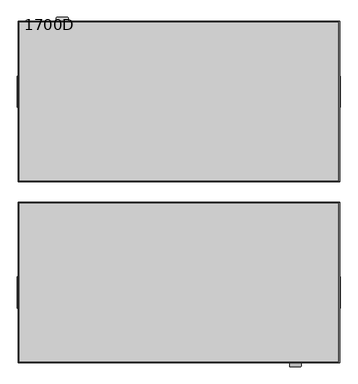
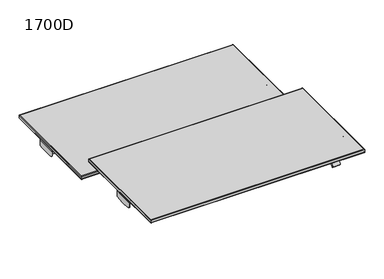
"""IFC4 building model written with IfcOpenShell, lengths in millimetres: furniture geometry, 1700D."""

from ifc_helpers import new_model, si_unit, frame, origin, place, context, project, spatial, polyline, circle_curve, ellipse_curve, outline, extrude, faceted_brep, source, transform, mapped, element, save
from ifc_brep_helpers import plane_surface, cylinder_surface, revolved_surface, advanced_brep


def furniture_1700d_61fe808a(model_context):
    return source(origin(), model_context, "Body", "SolidModel", [
        advanced_brep(
        [(800.0009304, 50.0, 762.0613719), (800.0009304, 850.0, 762.0613719), (796.9557784, 846.954848, 764.998648), (796.9557784, 53.045152, 764.998648), (800.0009304, 50.0, 742.9891625), (800.0009304, 850.0, 742.9891625), (796.9557784, 53.045152, 740.0005151), (796.9557784, 846.954848, 740.0005151), (-800.0009304, 850.0, 762.0613719), (-796.9557784, 846.954848, 764.998648), (-800.0009304, 850.0, 742.9891625), (-796.9557784, 846.954848, 740.0005151), (-800.0009304, 50.0, 762.0613719), (-796.9557784, 53.045152, 764.998648), (-800.0009304, 50.0, 742.9891625), (-796.9557784, 53.045152, 740.0005151)],
        [
            (0, 1),
            (1, 2, ellipse_curve(frame((797.0617436, 847.0608132, 762.0613719), z_axis=(0.7071067811865475, -0.7071067811865475, 0.0), x_axis=(-0.7071067811865474, -0.7071067811865476, 0.0)), 4.1566379, 2.9391868)),
            (2, 3),
            (3, 0, ellipse_curve(frame((797.0617436, 52.9391868, 762.0613719), z_axis=(0.7071067811865475, 0.7071067811865475, 0.0), x_axis=(0.7071067811865474, -0.7071067811865476, 0.0)), 4.1566379, 2.9391868)),
            (4, 5),
            (5, 1),
            (0, 4),
            (6, 7),
            (7, 5, ellipse_curve(frame((797.0117587, 847.0108283, 742.9891625), z_axis=(0.7071067811865475, -0.7071067811865475, 0.0), x_axis=(-0.7071067811865474, -0.7071067811865476, 0.0)), 4.2273271, 2.9891717)),
            (4, 6, ellipse_curve(frame((797.0117587, 52.9891717, 742.9891625), z_axis=(0.7071067811865475, 0.7071067811865475, 0.0), x_axis=(0.7071067811865474, -0.7071067811865476, 0.0)), 4.2273271, 2.9891717)),
            (2, 7),
            (6, 3),
            (1, 8),
            (8, 9, ellipse_curve(frame((-797.0617436, 847.0608132, 762.0613719), z_axis=(0.7071067811865475, 0.7071067811865475, 0.0), x_axis=(0.7071067811865476, -0.7071067811865474, 0.0)), 4.1566379, 2.9391868)),
            (9, 2),
            (5, 10),
            (10, 8),
            (7, 11),
            (11, 10, ellipse_curve(frame((-797.0117587, 847.0108283, 742.9891625), z_axis=(0.7071067811865475, 0.7071067811865475, 0.0), x_axis=(0.7071067811865476, -0.7071067811865474, 0.0)), 4.2273271, 2.9891717)),
            (9, 11),
            (8, 12),
            (12, 13, ellipse_curve(frame((-797.0617436, 52.9391868, 762.0613719), z_axis=(-0.7071067811865475, 0.7071067811865475, 0.0), x_axis=(0.7071067811865474, 0.7071067811865476, 0.0)), 4.1566379, 2.9391868)),
            (13, 9),
            (10, 14),
            (14, 12),
            (11, 15),
            (15, 14, ellipse_curve(frame((-797.0117587, 52.9891717, 742.9891625), z_axis=(-0.7071067811865475, 0.7071067811865475, 0.0), x_axis=(0.7071067811865474, 0.7071067811865476, 0.0)), 4.2273271, 2.9891717)),
            (13, 15),
            (12, 0),
            (3, 13),
            (14, 4),
            (15, 6),
        ],
        [
            cylinder_surface(frame((797.0617436, 53.045152, 762.0613719), z_axis=(0.0, -1.0, 0.0), x_axis=(1.0, 0.0, 0.0)), 2.9391868),
            plane_surface(frame((800.0009304, 50.0, 762.0613719), z_axis=(1.0, 0.0, 0.0), x_axis=(0.0, 1.0, 0.0))),
            cylinder_surface(frame((797.0117587, 53.045152, 742.9891625), z_axis=(0.0, -1.0, 0.0), x_axis=(1.0, 0.0, 0.0)), 2.9891717),
            plane_surface(frame((796.9557784, 53.045152, 740.0005151), z_axis=(-1.0, 0.0, 0.0), x_axis=(0.0, 1.0, 0.0))),
            cylinder_surface(frame((796.9557784, 847.0608132, 762.0613719), z_axis=(1.0, 0.0, 0.0), x_axis=(0.0, 1.0, 0.0)), 2.9391868),
            plane_surface(frame((800.0009304, 850.0, 762.0613719), z_axis=(0.0, 1.0, 0.0), x_axis=(-1.0, 0.0, 0.0))),
            cylinder_surface(frame((796.9557784, 847.0108283, 742.9891625), z_axis=(1.0, 0.0, 0.0), x_axis=(0.0, 1.0, 0.0)), 2.9891717),
            plane_surface(frame((796.9557784, 846.954848, 740.0005151), z_axis=(0.0, -1.0, 0.0), x_axis=(-1.0, 0.0, 0.0))),
            cylinder_surface(frame((-797.0617436, 846.954848, 762.0613719), z_axis=(0.0, 1.0, 0.0), x_axis=(-1.0, 0.0, 0.0)), 2.9391868),
            plane_surface(frame((-800.0009304, 850.0, 762.0613719), z_axis=(-1.0, 0.0, 0.0), x_axis=(0.0, -1.0, 0.0))),
            cylinder_surface(frame((-797.0117587, 846.954848, 742.9891625), z_axis=(0.0, 1.0, 0.0), x_axis=(-1.0, 0.0, 0.0)), 2.9891717),
            plane_surface(frame((-796.9557784, 846.954848, 740.0005151), z_axis=(1.0, 0.0, 0.0), x_axis=(0.0, -1.0, 0.0))),
            cylinder_surface(frame((-796.9557784, 52.9391868, 762.0613719), z_axis=(-1.0, 0.0, 0.0), x_axis=(0.0, -1.0, 0.0)), 2.9391868),
            plane_surface(frame((-800.0009304, 50.0, 762.0613719), z_axis=(0.0, -1.0, 0.0), x_axis=(1.0, 0.0, 0.0))),
            cylinder_surface(frame((-796.9557784, 52.9891717, 742.9891625), z_axis=(-1.0, 0.0, 0.0), x_axis=(0.0, -1.0, 0.0)), 2.9891717),
            plane_surface(frame((-796.9557784, 53.045152, 740.0005151), z_axis=(0.0, 1.0, 0.0), x_axis=(1.0, 0.0, 0.0))),
        ],
        [
            (0, [[1, 2, 3, 4]]),
            (1, [[5, 6, -1, 7]]),
            (2, [[8, 9, -5, 10]]),
            (3, [[-3, 11, -8, 12]]),
            (4, [[13, 14, 15, -2]]),
            (5, [[16, 17, -13, -6]]),
            (6, [[18, 19, -16, -9]]),
            (7, [[-15, 20, -18, -11]]),
            (8, [[21, 22, 23, -14]]),
            (9, [[24, 25, -21, -17]]),
            (10, [[26, 27, -24, -19]]),
            (11, [[-23, 28, -26, -20]]),
            (12, [[29, -4, 30, -22]]),
            (13, [[31, -7, -29, -25]]),
            (14, [[32, -10, -31, -27]]),
            (15, [[-30, -12, -32, -28]]),
        ],
    ),
        extrude(outline(polyline([(-796.9557784, 53.045152), (-796.9557784, 846.954848), (796.9557784, 846.954848), (796.9557784, 53.045152), (-796.9557784, 53.045152)])), frame((0.0, 0.0, 740.0), z_axis=(0.0, 0.0, 1.0), x_axis=(1.0, 0.0, 0.0)), (0.0, 0.0, 1.0), 25.0),
        advanced_brep(
        [(800.0009304, -50.0, 962.0613719), (796.9557784, -53.045152, 964.998648), (796.9557784, -846.954848, 964.998648), (800.0009304, -850.0, 962.0613719), (800.0009304, -50.0, 942.9891625), (800.0009304, -850.0, 942.9891625), (796.9557784, -53.045152, 940.0005151), (796.9557784, -846.954848, 940.0005151), (-796.9557784, -846.954848, 964.998648), (-800.0009304, -850.0, 962.0613719), (-800.0009304, -850.0, 942.9891625), (-796.9557784, -846.954848, 940.0005151), (-796.9557784, -53.045152, 964.998648), (-800.0009304, -50.0, 962.0613719), (-800.0009304, -50.0, 942.9891625), (-796.9557784, -53.045152, 940.0005151)],
        [
            (0, 1, ellipse_curve(frame((797.0617436, -52.9391868, 962.0613719), z_axis=(0.7071067811865475, -0.7071067811865475, 0.0), x_axis=(0.7071067811865474, 0.7071067811865476, 0.0)), 4.1566379, 2.9391868)),
            (1, 2),
            (2, 3, ellipse_curve(frame((797.0617436, -847.0608132, 962.0613719), z_axis=(0.7071067811865475, 0.7071067811865475, 0.0), x_axis=(-0.7071067811865474, 0.7071067811865476, 0.0)), 4.1566379, 2.9391868)),
            (3, 0),
            (4, 0),
            (3, 5),
            (5, 4),
            (6, 4, ellipse_curve(frame((797.0117587, -52.9891717, 942.9891625), z_axis=(0.7071067811865475, -0.7071067811865475, 0.0), x_axis=(0.7071067811865474, 0.7071067811865476, 0.0)), 4.2273271, 2.9891717)),
            (5, 7, ellipse_curve(frame((797.0117587, -847.0108283, 942.9891625), z_axis=(0.7071067811865475, 0.7071067811865475, 0.0), x_axis=(-0.7071067811865474, 0.7071067811865476, 0.0)), 4.2273271, 2.9891717)),
            (7, 6),
            (1, 6),
            (7, 2),
            (2, 8),
            (8, 9, ellipse_curve(frame((-797.0617436, -847.0608132, 962.0613719), z_axis=(0.7071067811865475, -0.7071067811865475, 0.0), x_axis=(0.7071067811865476, 0.7071067811865474, 0.0)), 4.1566379, 2.9391868)),
            (9, 3),
            (9, 10),
            (10, 5),
            (10, 11, ellipse_curve(frame((-797.0117587, -847.0108283, 942.9891625), z_axis=(0.7071067811865475, -0.7071067811865475, 0.0), x_axis=(0.7071067811865476, 0.7071067811865474, 0.0)), 4.2273271, 2.9891717)),
            (11, 7),
            (11, 8),
            (8, 12),
            (12, 13, ellipse_curve(frame((-797.0617436, -52.9391868, 962.0613719), z_axis=(-0.7071067811865475, -0.7071067811865475, 0.0), x_axis=(0.7071067811865474, -0.7071067811865476, 0.0)), 4.1566379, 2.9391868)),
            (13, 9),
            (13, 14),
            (14, 10),
            (14, 15, ellipse_curve(frame((-797.0117587, -52.9891717, 942.9891625), z_axis=(-0.7071067811865475, -0.7071067811865475, 0.0), x_axis=(0.7071067811865474, -0.7071067811865476, 0.0)), 4.2273271, 2.9891717)),
            (15, 11),
            (15, 12),
            (12, 1),
            (0, 13),
            (4, 14),
            (6, 15),
        ],
        [
            cylinder_surface(frame((797.0617436, -53.045152, 962.0613719), z_axis=(0.0, 1.0, 0.0), x_axis=(1.0, 0.0, 0.0)), 2.9391868),
            plane_surface(frame((800.0009304, -50.0, 962.0613719), z_axis=(1.0, 0.0, 0.0), x_axis=(0.0, -1.0, 0.0))),
            cylinder_surface(frame((797.0117587, -53.045152, 942.9891625), z_axis=(0.0, 1.0, 0.0), x_axis=(1.0, 0.0, 0.0)), 2.9891717),
            plane_surface(frame((796.9557784, -53.045152, 940.0005151), z_axis=(-1.0, 0.0, 0.0), x_axis=(0.0, -1.0, 0.0))),
            cylinder_surface(frame((796.9557784, -847.0608132, 962.0613719), z_axis=(1.0, 0.0, 0.0), x_axis=(0.0, -1.0, 0.0)), 2.9391868),
            plane_surface(frame((800.0009304, -850.0, 962.0613719), z_axis=(0.0, -1.0, 0.0), x_axis=(-1.0, 0.0, 0.0))),
            cylinder_surface(frame((796.9557784, -847.0108283, 942.9891625), z_axis=(1.0, 0.0, 0.0), x_axis=(0.0, -1.0, 0.0)), 2.9891717),
            plane_surface(frame((796.9557784, -846.954848, 940.0005151), z_axis=(0.0, 1.0, 0.0), x_axis=(-1.0, 0.0, 0.0))),
            cylinder_surface(frame((-797.0617436, -846.954848, 962.0613719), z_axis=(0.0, -1.0, 0.0), x_axis=(-1.0, 0.0, 0.0)), 2.9391868),
            plane_surface(frame((-800.0009304, -850.0, 962.0613719), z_axis=(-1.0, 0.0, 0.0), x_axis=(0.0, 1.0, 0.0))),
            cylinder_surface(frame((-797.0117587, -846.954848, 942.9891625), z_axis=(0.0, -1.0, 0.0), x_axis=(-1.0, 0.0, 0.0)), 2.9891717),
            plane_surface(frame((-796.9557784, -846.954848, 940.0005151), z_axis=(1.0, 0.0, 0.0), x_axis=(0.0, 1.0, 0.0))),
            cylinder_surface(frame((-796.9557784, -52.9391868, 962.0613719), z_axis=(-1.0, 0.0, 0.0), x_axis=(0.0, 1.0, 0.0)), 2.9391868),
            plane_surface(frame((-800.0009304, -50.0, 962.0613719), z_axis=(0.0, 1.0, 0.0), x_axis=(1.0, 0.0, 0.0))),
            cylinder_surface(frame((-796.9557784, -52.9891717, 942.9891625), z_axis=(-1.0, 0.0, 0.0), x_axis=(0.0, 1.0, 0.0)), 2.9891717),
            plane_surface(frame((-796.9557784, -53.045152, 940.0005151), z_axis=(0.0, -1.0, 0.0), x_axis=(1.0, 0.0, 0.0))),
        ],
        [
            (0, [[1, 2, 3, 4]]),
            (1, [[5, -4, 6, 7]]),
            (2, [[8, -7, 9, 10]]),
            (3, [[11, -10, 12, -2]]),
            (4, [[-3, 13, 14, 15]]),
            (5, [[-6, -15, 16, 17]]),
            (6, [[-9, -17, 18, 19]]),
            (7, [[-12, -19, 20, -13]]),
            (8, [[-14, 21, 22, 23]]),
            (9, [[-16, -23, 24, 25]]),
            (10, [[-18, -25, 26, 27]]),
            (11, [[-20, -27, 28, -21]]),
            (12, [[-22, 29, -1, 30]]),
            (13, [[-24, -30, -5, 31]]),
            (14, [[-26, -31, -8, 32]]),
            (15, [[-28, -32, -11, -29]]),
        ],
    ),
        extrude(outline(polyline([(-796.9557784, -53.045152), (796.9557784, -53.045152), (796.9557784, -846.954848), (-796.9557784, -846.954848), (-796.9557784, -53.045152)])), frame((0.0, 0.0, 940.0), z_axis=(0.0, 0.0, 1.0), x_axis=(1.0, 0.0, 0.0)), (0.0, 0.0, 1.0), 25.0),
        advanced_brep(
        [(-800.0, 421.1376827, 735.0178669), (-797.9939209, 421.1376827, 737.0095331), (-785.6236012, 421.1376827, 737.0095331), (-785.6236012, 421.1376827, 740.0), (-797.8166554, 421.1376827, 740.0), (-802.810149, 421.1376827, 735.0178671), (-802.810149, 421.1376827, 700.6209994), (-800.0, 421.1376827, 700.6209994), (-802.810149, 576.1274471, 735.0178671), (-797.8166554, 576.1274471, 740.0), (-785.6236012, 576.1274471, 740.0), (-785.6236012, 576.1274471, 737.0095331), (-797.9939209, 576.1274471, 737.0095331), (-800.0, 576.1274471, 735.0178669), (-800.0, 576.1274471, 698.9305168), (-802.810149, 576.1274471, 698.9305168), (-800.0, 433.696695, 692.1451916), (-800.0, 443.8429757, 689.9777384), (-800.0, 553.8429757, 689.9777384), (-800.0, 564.8480363, 692.1451916), (-802.810149, 564.8480363, 692.1451916), (-802.810149, 553.8429757, 689.9777384), (-802.810149, 443.8429757, 689.9777384), (-802.810149, 433.696695, 692.1451916)],
        [
            (0, 1, circle_curve(frame((-798.008282, 421.1376827, 735.0178669), z_axis=(0.0, 1.0, 0.0), x_axis=(1.0, 0.0, 0.0)), 1.991718)),
            (1, 2),
            (2, 3),
            (3, 4),
            (4, 5, circle_curve(frame((-797.8280032, 421.1376827, 735.0178671), z_axis=(0.0, -1.0, 0.0), x_axis=(1.0, 0.0, 0.0)), 4.9821458)),
            (5, 6),
            (6, 7),
            (7, 0),
            (8, 9, circle_curve(frame((-797.8280032, 576.1274471, 735.0178671), z_axis=(0.0, 1.0, 0.0), x_axis=(1.0, 0.0, 0.0)), 4.9821458)),
            (9, 10),
            (10, 11),
            (11, 12),
            (12, 13, circle_curve(frame((-798.008282, 576.1274471, 735.0178669), z_axis=(0.0, -1.0, 0.0), x_axis=(1.0, 0.0, 0.0)), 1.991718)),
            (13, 14),
            (14, 15),
            (15, 8),
            (13, 0),
            (7, 16, circle_curve(frame((-800.0, 437.9877869, 712.0460593), z_axis=(1.0, 0.0, 0.0), x_axis=(0.0, 1.0, 0.0)), 20.3582417)),
            (16, 17, circle_curve(frame((-800.0, 470.7205924, 840.6293303), z_axis=(1.0, 0.0, 0.0), x_axis=(0.0, 1.0, 0.0)), 153.0304167)),
            (17, 18, circle_curve(frame((-800.0, 498.8429757, 998.2579565), z_axis=(1.0, 0.0, 0.0), x_axis=(0.0, 1.0, 0.0)), 313.1480367)),
            (18, 19, circle_curve(frame((-800.0, 498.8429757, 998.2579565), z_axis=(1.0, 0.0, 0.0), x_axis=(0.0, 1.0, 0.0)), 313.1480367)),
            (19, 14, circle_curve(frame((-800.0, 560.5569445, 712.0460593), z_axis=(1.0, 0.0, 0.0), x_axis=(0.0, 1.0, 0.0)), 20.3582417)),
            (12, 1),
            (11, 2),
            (10, 3),
            (9, 4),
            (8, 5),
            (15, 20, circle_curve(frame((-802.810149, 560.5569445, 712.0460593), z_axis=(-1.0, 0.0, 0.0), x_axis=(0.0, 1.0, 0.0)), 20.3582417)),
            (20, 21, circle_curve(frame((-802.810149, 498.8429757, 998.2579565), z_axis=(-1.0, 0.0, 0.0), x_axis=(0.0, 1.0, 0.0)), 313.1480367)),
            (21, 22, circle_curve(frame((-802.810149, 498.8429757, 998.2579565), z_axis=(-1.0, 0.0, 0.0), x_axis=(0.0, 1.0, 0.0)), 313.1480367)),
            (22, 23, circle_curve(frame((-802.810149, 470.7205924, 840.6293303), z_axis=(-1.0, 0.0, 0.0), x_axis=(0.0, 1.0, 0.0)), 153.0304167)),
            (23, 6, circle_curve(frame((-802.810149, 437.9877869, 712.0460593), z_axis=(-1.0, 0.0, 0.0), x_axis=(0.0, 1.0, 0.0)), 20.3582417)),
            (22, 17),
            (16, 23),
            (19, 20),
            (18, 21),
        ],
        [
            plane_surface(frame((-802.810149, 421.1376827, 685.0637213), z_axis=(0.0, -1.0, 0.0), x_axis=(1.0, 0.0, 0.0))),
            plane_surface(frame((-802.810149, 576.1274471, 685.0637213), z_axis=(0.0, 1.0, 0.0), x_axis=(-1.0, 0.0, 0.0))),
            plane_surface(frame((-800.0, 421.1376827, 685.0637213), z_axis=(1.0, 0.0, 0.0), x_axis=(0.0, 1.0, 0.0))),
            revolved_surface(polyline([(-796.016564, 576.1274471, 735.0178669), (-796.016564, 421.1376827, 735.0178669)]), (-798.008282, 576.1274471, 735.0178669), (0.0, 1.0, 0.0)),
            plane_surface(frame((-797.9939209, 421.1376827, 737.0095331), z_axis=(0.0, 0.0, -1.0), x_axis=(0.0, 1.0, 0.0))),
            plane_surface(frame((-785.6236012, 421.1376827, 737.0095331), z_axis=(1.0, 0.0, 0.0), x_axis=(0.0, 1.0, 0.0))),
            plane_surface(frame((-785.6236012, 421.1376827, 740.0), z_axis=(0.0, 0.0, 1.0), x_axis=(0.0, 1.0, 0.0))),
            cylinder_surface(frame((-797.8280032, 576.1274471, 735.0178671), z_axis=(0.0, -1.0, 0.0), x_axis=(1.0, 0.0, 0.0)), 4.9821458),
            plane_surface(frame((-802.810149, 421.1376827, 735.0178671), z_axis=(-1.0, 0.0, 0.0), x_axis=(0.0, 1.0, 0.0))),
            cylinder_surface(frame((-842.810149, 470.7205924, 840.6293303), z_axis=(-1.0, 0.0, 0.0), x_axis=(0.0, 1.0, 0.0)), 153.0304167),
            cylinder_surface(frame((-842.810149, 437.9877869, 712.0460593), z_axis=(-1.0, 0.0, 0.0), x_axis=(0.0, 1.0, 0.0)), 20.3582417),
            cylinder_surface(frame((-842.810149, 560.5569445, 712.0460593), z_axis=(-1.0, 0.0, 0.0), x_axis=(0.0, 1.0, 0.0)), 20.3582417),
            cylinder_surface(frame((-842.810149, 498.8429757, 998.2579565), z_axis=(-1.0, 0.0, 0.0), x_axis=(0.0, 1.0, 0.0)), 313.1480367),
        ],
        [
            (0, [[1, 2, 3, 4, 5, 6, 7, 8]]),
            (1, [[9, 10, 11, 12, 13, 14, 15, 16]]),
            (2, [[17, -8, 18, 19, 20, 21, 22, -14]]),
            (3, [[-1, -17, -13, 23]]),
            (4, [[-2, -23, -12, 24]]),
            (5, [[-3, -24, -11, 25]]),
            (6, [[-4, -25, -10, 26]]),
            (7, [[-5, -26, -9, 27]]),
            (8, [[-27, -16, 28, 29, 30, 31, 32, -6]]),
            (9, [[33, -19, 34, -31]]),
            (10, [[-34, -18, -7, -32]]),
            (11, [[35, -28, -15, -22]]),
            (12, [[-35, -21, 36, -29]]),
            (12, [[-33, -30, -36, -20]]),
        ],
    ),
        advanced_brep(
        [(802.810149, 421.1376827, 735.0178671), (797.8166554, 421.1376827, 740.0), (785.6236012, 421.1376827, 740.0), (785.6236012, 421.1376827, 737.0095335), (797.9939209, 421.1376827, 737.0095335), (800.0, 421.1376827, 735.0178673), (800.0, 421.1376827, 700.6209994), (802.810149, 421.1376827, 700.6209994), (800.0, 576.1274471, 735.0178673), (797.9939209, 576.1274471, 737.0095335), (785.6236012, 576.1274471, 737.0095335), (785.6236012, 576.1274471, 740.0), (797.8166554, 576.1274471, 740.0), (802.810149, 576.1274471, 735.0178671), (802.810149, 576.1274471, 698.9305168), (800.0, 576.1274471, 698.9305168), (802.810149, 433.696695, 692.1451916), (802.810149, 443.8429757, 689.9777384), (802.810149, 553.8429757, 689.9777384), (802.810149, 564.8480363, 692.1451916), (800.0, 564.8480363, 692.1451916), (800.0, 553.8429757, 689.9777384), (800.0, 443.8429757, 689.9777384), (800.0, 433.696695, 692.1451916)],
        [
            (0, 1, circle_curve(frame((797.8280032, 421.1376827, 735.0178671), z_axis=(0.0, -1.0, 0.0), x_axis=(1.0, 0.0, 0.0)), 4.9821458)),
            (1, 2),
            (2, 3),
            (3, 4),
            (4, 5, circle_curve(frame((798.008282, 421.1376827, 735.0178673), z_axis=(0.0, 1.0, 0.0), x_axis=(1.0, 0.0, 0.0)), 1.991718)),
            (5, 6),
            (6, 7),
            (7, 0),
            (8, 9, circle_curve(frame((798.008282, 576.1274471, 735.0178673), z_axis=(0.0, -1.0, 0.0), x_axis=(1.0, 0.0, 0.0)), 1.991718)),
            (9, 10),
            (10, 11),
            (11, 12),
            (12, 13, circle_curve(frame((797.8280032, 576.1274471, 735.0178671), z_axis=(0.0, 1.0, 0.0), x_axis=(1.0, 0.0, 0.0)), 4.9821458)),
            (13, 14),
            (14, 15),
            (15, 8),
            (13, 0),
            (7, 16, circle_curve(frame((802.810149, 437.9877869, 712.0460593), z_axis=(1.0, 0.0, 0.0), x_axis=(0.0, 1.0, 0.0)), 20.3582417)),
            (16, 17, circle_curve(frame((802.810149, 470.7205924, 840.6293303), z_axis=(1.0, 0.0, 0.0), x_axis=(0.0, 1.0, 0.0)), 153.0304167)),
            (17, 18, circle_curve(frame((802.810149, 498.8429757, 998.2579565), z_axis=(1.0, 0.0, 0.0), x_axis=(0.0, 1.0, 0.0)), 313.1480367)),
            (18, 19, circle_curve(frame((802.810149, 498.8429757, 998.2579565), z_axis=(1.0, 0.0, 0.0), x_axis=(0.0, 1.0, 0.0)), 313.1480367)),
            (19, 14, circle_curve(frame((802.810149, 560.5569445, 712.0460593), z_axis=(1.0, 0.0, 0.0), x_axis=(0.0, 1.0, 0.0)), 20.3582417)),
            (12, 1),
            (11, 2),
            (10, 3),
            (9, 4),
            (8, 5),
            (15, 20, circle_curve(frame((800.0, 560.5569445, 712.0460593), z_axis=(-1.0, 0.0, 0.0), x_axis=(0.0, 1.0, 0.0)), 20.3582417)),
            (20, 21, circle_curve(frame((800.0, 498.8429757, 998.2579565), z_axis=(-1.0, 0.0, 0.0), x_axis=(0.0, 1.0, 0.0)), 313.1480367)),
            (21, 22, circle_curve(frame((800.0, 498.8429757, 998.2579565), z_axis=(-1.0, 0.0, 0.0), x_axis=(0.0, 1.0, 0.0)), 313.1480367)),
            (22, 23, circle_curve(frame((800.0, 470.7205924, 840.6293303), z_axis=(-1.0, 0.0, 0.0), x_axis=(0.0, 1.0, 0.0)), 153.0304167)),
            (23, 6, circle_curve(frame((800.0, 437.9877869, 712.0460593), z_axis=(-1.0, 0.0, 0.0), x_axis=(0.0, 1.0, 0.0)), 20.3582417)),
            (16, 23),
            (22, 17),
            (19, 20),
            (18, 21),
        ],
        [
            plane_surface(frame((-802.810149, 421.1376827, 685.0637213), z_axis=(0.0, -1.0, 0.0), x_axis=(1.0, 0.0, 0.0))),
            plane_surface(frame((-802.810149, 576.1274471, 685.0637213), z_axis=(0.0, 1.0, 0.0), x_axis=(-1.0, 0.0, 0.0))),
            plane_surface(frame((802.810149, 421.1376827, 685.0637215), z_axis=(1.0, 0.0, -1.742306758191203e-12), x_axis=(0.0, 1.0, 0.0))),
            cylinder_surface(frame((797.8280032, 499.2554852, 735.0178671), z_axis=(0.0, -1.0, 0.0), x_axis=(1.0, 0.0, 0.0)), 4.9821458),
            plane_surface(frame((797.8166554, 421.1376827, 740.0), z_axis=(0.0, 0.0, 1.0), x_axis=(0.0, 1.0, 0.0))),
            plane_surface(frame((785.6236012, 421.1376827, 740.0), z_axis=(-1.0, 0.0, 0.0), x_axis=(0.0, 1.0, 0.0))),
            plane_surface(frame((785.6236012, 421.1376827, 737.0095335), z_axis=(4.300280746866879e-12, 0.0, -1.0), x_axis=(0.0, 1.0, 0.0))),
            revolved_surface(polyline([(800.0, 576.1274471, 735.0178673), (800.0, 421.1376827, 735.0178673)]), (798.008282, 499.2554852, 735.0178673), (0.0, 1.0, 0.0)),
            plane_surface(frame((800.0, 421.1376827, 735.0178673), z_axis=(-1.0, 0.0, 0.0), x_axis=(0.0, 1.0, 0.0))),
            cylinder_surface(frame((842.810149, 470.7205924, 840.6293303), z_axis=(1.0, 0.0, 0.0), x_axis=(0.0, 1.0, 0.0)), 153.0304167),
            cylinder_surface(frame((842.810149, 437.9877869, 712.0460593), z_axis=(1.0, 0.0, 0.0), x_axis=(0.0, 1.0, 0.0)), 20.3582417),
            cylinder_surface(frame((842.810149, 560.5569445, 712.0460593), z_axis=(1.0, 0.0, 0.0), x_axis=(0.0, 1.0, 0.0)), 20.3582417),
            cylinder_surface(frame((842.810149, 498.8429757, 998.2579565), z_axis=(1.0, 0.0, 0.0), x_axis=(0.0, 1.0, 0.0)), 313.1480367),
        ],
        [
            (0, [[1, 2, 3, 4, 5, 6, 7, 8]]),
            (1, [[9, 10, 11, 12, 13, 14, 15, 16]]),
            (2, [[17, -8, 18, 19, 20, 21, 22, -14]]),
            (3, [[-1, -17, -13, 23]]),
            (4, [[-2, -23, -12, 24]]),
            (5, [[-3, -24, -11, 25]]),
            (6, [[-4, -25, -10, 26]]),
            (7, [[-5, -26, -9, 27]]),
            (8, [[-27, -16, 28, 29, 30, 31, 32, -6]]),
            (9, [[33, -31, 34, -19]]),
            (10, [[-33, -18, -7, -32]]),
            (11, [[35, -28, -15, -22]]),
            (12, [[-35, -21, 36, -29]]),
            (12, [[-36, -20, -34, -30]]),
        ],
    ),
        advanced_brep(
        [(-800.0, -577.3732876, 935.0178669), (-797.9939209, -577.3732876, 937.0095331), (-785.6236012, -577.3732876, 937.0095331), (-785.6236012, -577.3732876, 940.0), (-797.8166554, -577.3732876, 940.0), (-802.810149, -577.3732876, 935.0178671), (-802.810149, -577.3732876, 900.6209994), (-800.0, -577.3732876, 900.6209994), (-802.810149, -422.3835232, 935.0178671), (-797.8166554, -422.3835232, 940.0), (-785.6236012, -422.3835232, 940.0), (-785.6236012, -422.3835232, 937.0095331), (-797.9939209, -422.3835232, 937.0095331), (-800.0, -422.3835232, 935.0178669), (-800.0, -422.3835232, 898.9305168), (-802.810149, -422.3835232, 898.9305168), (-800.0, -564.8142753, 892.1451916), (-800.0, -554.6679946, 889.9777384), (-800.0, -444.6679946, 889.9777384), (-800.0, -433.662934, 892.1451916), (-802.810149, -433.662934, 892.1451916), (-802.810149, -444.6679946, 889.9777384), (-802.810149, -554.6679946, 889.9777384), (-802.810149, -564.8142753, 892.1451916)],
        [
            (0, 1, circle_curve(frame((-798.008282, -577.3732876, 935.0178669), z_axis=(0.0, 1.0, 0.0), x_axis=(1.0, 0.0, 0.0)), 1.991718)),
            (1, 2),
            (2, 3),
            (3, 4),
            (4, 5, circle_curve(frame((-797.8280032, -577.3732876, 935.0178671), z_axis=(0.0, -1.0, 0.0), x_axis=(1.0, 0.0, 0.0)), 4.9821458)),
            (5, 6),
            (6, 7),
            (7, 0),
            (8, 9, circle_curve(frame((-797.8280032, -422.3835232, 935.0178671), z_axis=(0.0, 1.0, 0.0), x_axis=(1.0, 0.0, 0.0)), 4.9821458)),
            (9, 10),
            (10, 11),
            (11, 12),
            (12, 13, circle_curve(frame((-798.008282, -422.3835232, 935.0178669), z_axis=(0.0, -1.0, 0.0), x_axis=(1.0, 0.0, 0.0)), 1.991718)),
            (13, 14),
            (14, 15),
            (15, 8),
            (13, 0),
            (7, 16, circle_curve(frame((-800.0, -560.5231835, 912.0460593), z_axis=(1.0, 0.0, 0.0), x_axis=(0.0, 1.0, 0.0)), 20.3582417)),
            (16, 17, circle_curve(frame((-800.0, -527.7903779, 1040.6293303), z_axis=(1.0, 0.0, 0.0), x_axis=(0.0, 1.0, 0.0)), 153.0304167)),
            (17, 18, circle_curve(frame((-800.0, -499.6679946, 1198.2579565), z_axis=(1.0, 0.0, 0.0), x_axis=(0.0, 1.0, 0.0)), 313.1480367)),
            (18, 19, circle_curve(frame((-800.0, -499.6679946, 1198.2579565), z_axis=(1.0, 0.0, 0.0), x_axis=(0.0, 1.0, 0.0)), 313.1480367)),
            (19, 14, circle_curve(frame((-800.0, -437.9540258, 912.0460593), z_axis=(1.0, 0.0, 0.0), x_axis=(0.0, 1.0, 0.0)), 20.3582417)),
            (12, 1),
            (11, 2),
            (10, 3),
            (9, 4),
            (8, 5),
            (15, 20, circle_curve(frame((-802.810149, -437.9540258, 912.0460593), z_axis=(-1.0, 0.0, 0.0), x_axis=(0.0, 1.0, 0.0)), 20.3582417)),
            (20, 21, circle_curve(frame((-802.810149, -499.6679946, 1198.2579565), z_axis=(-1.0, 0.0, 0.0), x_axis=(0.0, 1.0, 0.0)), 313.1480367)),
            (21, 22, circle_curve(frame((-802.810149, -499.6679946, 1198.2579565), z_axis=(-1.0, 0.0, 0.0), x_axis=(0.0, 1.0, 0.0)), 313.1480367)),
            (22, 23, circle_curve(frame((-802.810149, -527.7903779, 1040.6293303), z_axis=(-1.0, 0.0, 0.0), x_axis=(0.0, 1.0, 0.0)), 153.0304167)),
            (23, 6, circle_curve(frame((-802.810149, -560.5231835, 912.0460593), z_axis=(-1.0, 0.0, 0.0), x_axis=(0.0, 1.0, 0.0)), 20.3582417)),
            (22, 17),
            (16, 23),
            (19, 20),
            (18, 21),
        ],
        [
            plane_surface(frame((-802.810149, -577.3732876, 885.0637213), z_axis=(0.0, -1.0, 0.0), x_axis=(1.0, 0.0, 0.0))),
            plane_surface(frame((-802.810149, -422.3835232, 885.0637213), z_axis=(0.0, 1.0, 0.0), x_axis=(-1.0, 0.0, 0.0))),
            plane_surface(frame((-800.0, -577.3732876, 885.0637213), z_axis=(1.0, 0.0, 0.0), x_axis=(0.0, 1.0, 0.0))),
            revolved_surface(polyline([(-796.016564, -422.3835232, 935.0178669), (-796.016564, -577.3732876, 935.0178669)]), (-798.008282, -422.3835232, 935.0178669), (0.0, 1.0, 0.0)),
            plane_surface(frame((-797.9939209, -577.3732876, 937.0095331), z_axis=(0.0, 0.0, -1.0), x_axis=(0.0, 1.0, 0.0))),
            plane_surface(frame((-785.6236012, -577.3732876, 937.0095331), z_axis=(1.0, 0.0, 0.0), x_axis=(0.0, 1.0, 0.0))),
            plane_surface(frame((-785.6236012, -577.3732876, 940.0), z_axis=(0.0, 0.0, 1.0), x_axis=(0.0, 1.0, 0.0))),
            cylinder_surface(frame((-797.8280032, -422.3835232, 935.0178671), z_axis=(0.0, -1.0, 0.0), x_axis=(1.0, 0.0, 0.0)), 4.9821458),
            plane_surface(frame((-802.810149, -577.3732876, 935.0178671), z_axis=(-1.0, 0.0, 0.0), x_axis=(0.0, 1.0, 0.0))),
            cylinder_surface(frame((-842.810149, -527.7903779, 1040.6293303), z_axis=(-1.0, 0.0, 0.0), x_axis=(0.0, 1.0, 0.0)), 153.0304167),
            cylinder_surface(frame((-842.810149, -560.5231835, 912.0460593), z_axis=(-1.0, 0.0, 0.0), x_axis=(0.0, 1.0, 0.0)), 20.3582417),
            cylinder_surface(frame((-842.810149, -437.9540258, 912.0460593), z_axis=(-1.0, 0.0, 0.0), x_axis=(0.0, 1.0, 0.0)), 20.3582417),
            cylinder_surface(frame((-842.810149, -499.6679946, 1198.2579565), z_axis=(-1.0, 0.0, 0.0), x_axis=(0.0, 1.0, 0.0)), 313.1480367),
        ],
        [
            (0, [[1, 2, 3, 4, 5, 6, 7, 8]]),
            (1, [[9, 10, 11, 12, 13, 14, 15, 16]]),
            (2, [[17, -8, 18, 19, 20, 21, 22, -14]]),
            (3, [[-1, -17, -13, 23]]),
            (4, [[-2, -23, -12, 24]]),
            (5, [[-3, -24, -11, 25]]),
            (6, [[-4, -25, -10, 26]]),
            (7, [[-5, -26, -9, 27]]),
            (8, [[-27, -16, 28, 29, 30, 31, 32, -6]]),
            (9, [[33, -19, 34, -31]]),
            (10, [[-34, -18, -7, -32]]),
            (11, [[35, -28, -15, -22]]),
            (12, [[-35, -21, 36, -29]]),
            (12, [[-33, -30, -36, -20]]),
        ],
    ),
        advanced_brep(
        [(802.810149, -577.3732876, 935.0178671), (797.8166554, -577.3732876, 940.0), (785.6236012, -577.3732876, 940.0), (785.6236012, -577.3732876, 937.0095335), (797.9939209, -577.3732876, 937.0095335), (800.0, -577.3732876, 935.0178673), (800.0, -577.3732876, 900.6209994), (802.810149, -577.3732876, 900.6209994), (800.0, -422.3835232, 935.0178673), (797.9939209, -422.3835232, 937.0095335), (785.6236012, -422.3835232, 937.0095335), (785.6236012, -422.3835232, 940.0), (797.8166554, -422.3835232, 940.0), (802.810149, -422.3835232, 935.0178671), (802.810149, -422.3835232, 898.9305168), (800.0, -422.3835232, 898.9305168), (802.810149, -564.8142753, 892.1451916), (802.810149, -554.6679946, 889.9777384), (802.810149, -444.6679946, 889.9777384), (802.810149, -433.662934, 892.1451916), (800.0, -433.662934, 892.1451916), (800.0, -444.6679946, 889.9777384), (800.0, -554.6679946, 889.9777384), (800.0, -564.8142753, 892.1451916)],
        [
            (0, 1, circle_curve(frame((797.8280032, -577.3732876, 935.0178671), z_axis=(0.0, -1.0, 0.0), x_axis=(1.0, 0.0, 0.0)), 4.9821458)),
            (1, 2),
            (2, 3),
            (3, 4),
            (4, 5, circle_curve(frame((798.008282, -577.3732876, 935.0178673), z_axis=(0.0, 1.0, 0.0), x_axis=(1.0, 0.0, 0.0)), 1.991718)),
            (5, 6),
            (6, 7),
            (7, 0),
            (8, 9, circle_curve(frame((798.008282, -422.3835232, 935.0178673), z_axis=(0.0, -1.0, 0.0), x_axis=(1.0, 0.0, 0.0)), 1.991718)),
            (9, 10),
            (10, 11),
            (11, 12),
            (12, 13, circle_curve(frame((797.8280032, -422.3835232, 935.0178671), z_axis=(0.0, 1.0, 0.0), x_axis=(1.0, 0.0, 0.0)), 4.9821458)),
            (13, 14),
            (14, 15),
            (15, 8),
            (13, 0),
            (7, 16, circle_curve(frame((802.810149, -560.5231835, 912.0460593), z_axis=(1.0, 0.0, 0.0), x_axis=(0.0, 1.0, 0.0)), 20.3582417)),
            (16, 17, circle_curve(frame((802.810149, -527.7903779, 1040.6293303), z_axis=(1.0, 0.0, 0.0), x_axis=(0.0, 1.0, 0.0)), 153.0304167)),
            (17, 18, circle_curve(frame((802.810149, -499.6679946, 1198.2579565), z_axis=(1.0, 0.0, 0.0), x_axis=(0.0, 1.0, 0.0)), 313.1480367)),
            (18, 19, circle_curve(frame((802.810149, -499.6679946, 1198.2579565), z_axis=(1.0, 0.0, 0.0), x_axis=(0.0, 1.0, 0.0)), 313.1480367)),
            (19, 14, circle_curve(frame((802.810149, -437.9540258, 912.0460593), z_axis=(1.0, 0.0, 0.0), x_axis=(0.0, 1.0, 0.0)), 20.3582417)),
            (12, 1),
            (11, 2),
            (10, 3),
            (9, 4),
            (8, 5),
            (15, 20, circle_curve(frame((800.0, -437.9540258, 912.0460593), z_axis=(-1.0, 0.0, 0.0), x_axis=(0.0, 1.0, 0.0)), 20.3582417)),
            (20, 21, circle_curve(frame((800.0, -499.6679946, 1198.2579565), z_axis=(-1.0, 0.0, 0.0), x_axis=(0.0, 1.0, 0.0)), 313.1480367)),
            (21, 22, circle_curve(frame((800.0, -499.6679946, 1198.2579565), z_axis=(-1.0, 0.0, 0.0), x_axis=(0.0, 1.0, 0.0)), 313.1480367)),
            (22, 23, circle_curve(frame((800.0, -527.7903779, 1040.6293303), z_axis=(-1.0, 0.0, 0.0), x_axis=(0.0, 1.0, 0.0)), 153.0304167)),
            (23, 6, circle_curve(frame((800.0, -560.5231835, 912.0460593), z_axis=(-1.0, 0.0, 0.0), x_axis=(0.0, 1.0, 0.0)), 20.3582417)),
            (16, 23),
            (22, 17),
            (19, 20),
            (18, 21),
        ],
        [
            plane_surface(frame((-802.810149, -577.3732876, 885.0637213), z_axis=(0.0, -1.0, 0.0), x_axis=(1.0, 0.0, 0.0))),
            plane_surface(frame((-802.810149, -422.3835232, 885.0637213), z_axis=(0.0, 1.0, 0.0), x_axis=(-1.0, 0.0, 0.0))),
            plane_surface(frame((802.810149, -577.3732876, 885.0637215), z_axis=(1.0, 0.0, -1.742306758191203e-12), x_axis=(0.0, 1.0, 0.0))),
            cylinder_surface(frame((797.8280032, -499.2554852, 935.0178671), z_axis=(0.0, -1.0, 0.0), x_axis=(1.0, 0.0, 0.0)), 4.9821458),
            plane_surface(frame((797.8166554, -577.3732876, 940.0), z_axis=(0.0, 0.0, 1.0), x_axis=(0.0, 1.0, 0.0))),
            plane_surface(frame((785.6236012, -577.3732876, 940.0), z_axis=(-1.0, 0.0, 0.0), x_axis=(0.0, 1.0, 0.0))),
            plane_surface(frame((785.6236012, -577.3732876, 937.0095335), z_axis=(4.3112229370624695e-12, 0.0, -1.0), x_axis=(0.0, 1.0, 0.0))),
            revolved_surface(polyline([(800.0, -422.3835232, 935.0178673), (800.0, -577.3732876, 935.0178673)]), (798.008282, -499.2554852, 935.0178673), (0.0, 1.0, 0.0)),
            plane_surface(frame((800.0, -577.3732876, 935.0178673), z_axis=(-1.0, 0.0, 0.0), x_axis=(0.0, 1.0, 0.0))),
            cylinder_surface(frame((842.810149, -527.7903779, 1040.6293303), z_axis=(1.0, 0.0, 0.0), x_axis=(0.0, 1.0, 0.0)), 153.0304167),
            cylinder_surface(frame((842.810149, -560.5231835, 912.0460593), z_axis=(1.0, 0.0, 0.0), x_axis=(0.0, 1.0, 0.0)), 20.3582417),
            cylinder_surface(frame((842.810149, -437.9540258, 912.0460593), z_axis=(1.0, 0.0, 0.0), x_axis=(0.0, 1.0, 0.0)), 20.3582417),
            cylinder_surface(frame((842.810149, -499.6679946, 1198.2579565), z_axis=(1.0, 0.0, 0.0), x_axis=(0.0, 1.0, 0.0)), 313.1480367),
        ],
        [
            (0, [[1, 2, 3, 4, 5, 6, 7, 8]]),
            (1, [[9, 10, 11, 12, 13, 14, 15, 16]]),
            (2, [[17, -8, 18, 19, 20, 21, 22, -14]]),
            (3, [[-1, -17, -13, 23]]),
            (4, [[-2, -23, -12, 24]]),
            (5, [[-3, -24, -11, 25]]),
            (6, [[-4, -25, -10, 26]]),
            (7, [[-5, -26, -9, 27]]),
            (8, [[-27, -16, 28, 29, 30, 31, 32, -6]]),
            (9, [[33, -31, 34, -19]]),
            (10, [[-33, -18, -7, -32]]),
            (11, [[35, -28, -15, -22]]),
            (12, [[-35, -21, 36, -29]]),
            (12, [[-36, -20, -34, -30]]),
        ],
    ),
        faceted_brep([(516.362651, 113.2554852, 740.0), (516.362651, 113.2554852, 649.9906671), (516.362651, 331.2561321, 649.9906671), (516.362651, 331.2561321, 740.0), (516.362651, 330.2437908, 740.0), (516.362651, 330.2437908, 651.0128807), (516.362651, 114.2717022, 651.0128807), (516.362651, 114.2717022, 740.0), (-516.362651, 113.2554852, 740.0), (-516.362651, 114.2717022, 740.0), (-516.362651, 114.2717022, 651.0128807), (-516.362651, 330.2437908, 651.0128807), (-516.362651, 330.2437908, 740.0), (-516.362651, 331.2561321, 740.0), (-516.362651, 331.2561321, 649.9906671), (-516.362651, 113.2554852, 649.9906671), (-405.0, 227.8454312, 651.0128807), (-405.0, 291.7376553, 651.0128807), (-320.9539673, 291.7376553, 651.0128807), (-320.9539673, 227.8454312, 651.0128807), (323.0166892, 227.8454312, 651.0128807), (323.0166892, 291.7365071, 651.0128807), (407.062722, 291.7365071, 651.0128807), (407.062722, 227.8454312, 651.0128807), (-320.9539673, 227.8454312, 649.9906671), (-320.9539673, 291.7376553, 649.9906671), (-405.0, 291.7376553, 649.9906671), (-405.0, 227.8454312, 649.9906671), (407.062722, 227.8454312, 649.9906671), (407.062722, 291.7365071, 649.9906671), (323.0166892, 291.7365071, 649.9906671), (323.0166892, 227.8454312, 649.9906671)], [[[0, 1, 2, 3, 4, 5, 6, 7]], [[8, 9, 10, 11, 12, 13, 14, 15]], [[7, 9, 8, 0]], [[6, 10, 9, 7]], [[5, 11, 10, 6], [16, 17, 18, 19], [20, 21, 22, 23]], [[4, 12, 11, 5]], [[3, 13, 12, 4]], [[2, 14, 13, 3]], [[1, 15, 14, 2], [24, 25, 26, 27], [28, 29, 30, 31]], [[0, 8, 15, 1]], [[24, 27, 16, 19]], [[27, 26, 17, 16]], [[26, 25, 18, 17]], [[19, 18, 25, 24]], [[28, 31, 20, 23]], [[31, 30, 21, 20]], [[30, 29, 22, 21]], [[23, 22, 29, 28]]]),
        faceted_brep([(516.362651, -113.2554852, 940.0), (516.362651, -114.2717022, 940.0), (516.362651, -114.2717022, 851.0128807), (516.362651, -330.2437908, 851.0128807), (516.362651, -330.2437908, 940.0), (516.362651, -331.2561321, 940.0), (516.362651, -331.2561321, 849.9906671), (516.362651, -113.2554852, 849.9906671), (-516.362651, -113.2554852, 940.0), (-516.362651, -113.2554852, 849.9906671), (-516.362651, -331.2561321, 849.9906671), (-516.362651, -331.2561321, 940.0), (-516.362651, -330.2437908, 940.0), (-516.362651, -330.2437908, 851.0128807), (-516.362651, -114.2717022, 851.0128807), (-516.362651, -114.2717022, 940.0), (-405.0, -227.8454312, 851.0128807), (-320.9539673, -227.8454312, 851.0128807), (-320.9539673, -291.7376553, 851.0128807), (-405.0, -291.7376553, 851.0128807), (323.0166892, -227.8454312, 851.0128807), (407.062722, -227.8454312, 851.0128807), (407.062722, -291.7365071, 851.0128807), (323.0166892, -291.7365071, 851.0128807), (-320.9539673, -227.8454312, 849.9906671), (-405.0, -227.8454312, 849.9906671), (-405.0, -291.7376553, 849.9906671), (-320.9539673, -291.7376553, 849.9906671), (407.062722, -227.8454312, 849.9906671), (323.0166892, -227.8454312, 849.9906671), (323.0166892, -291.7365071, 849.9906671), (407.062722, -291.7365071, 849.9906671)], [[[0, 1, 2, 3, 4, 5, 6, 7]], [[8, 9, 10, 11, 12, 13, 14, 15]], [[1, 0, 8, 15]], [[2, 1, 15, 14]], [[3, 2, 14, 13], [16, 17, 18, 19], [20, 21, 22, 23]], [[4, 3, 13, 12]], [[5, 4, 12, 11]], [[6, 5, 11, 10]], [[7, 6, 10, 9], [24, 25, 26, 27], [28, 29, 30, 31]], [[0, 7, 9, 8]], [[24, 17, 16, 25]], [[25, 16, 19, 26]], [[26, 19, 18, 27]], [[17, 24, 27, 18]], [[28, 21, 20, 29]], [[29, 20, 23, 30]], [[30, 23, 22, 31]], [[21, 28, 31, 22]]]),
        advanced_brep(
        [(-593.8943966, 818.0148563, 739.9306471), (-566.1053341, 818.0148563, 739.9306471), (-556.1053341, 828.0148563, 739.9306471), (-556.1053341, 849.5652455, 739.9306471), (-603.766061, 849.5652455, 739.9306471), (-603.766061, 828.0148563, 739.9306471), (-593.8943966, 818.0148563, 730.9311144), (-603.766061, 828.0148563, 730.9311144), (-603.766061, 843.6171749, 730.9311144), (-556.1053341, 843.6171749, 730.9311144), (-556.1053341, 828.0148563, 730.9311144), (-566.1053341, 818.0148563, 730.9311144), (-556.1053341, 842.3974977, 732.0388963), (-603.766061, 842.3974977, 732.0388963), (-606.7498615, 842.3974977, 732.0388963), (-608.7498615, 843.8779913, 730.6942258), (-608.7498615, 859.4047921, 716.5918809), (-606.7498615, 860.8852857, 715.2472104), (-552.9885087, 860.8852857, 715.2472104), (-550.9885087, 859.4047921, 716.5918809), (-550.9885087, 843.8779913, 730.6942258), (-552.9885087, 842.3974977, 732.0388963), (-552.9885087, 850.0, 740.4093155), (-550.9885087, 851.4804936, 739.064645), (-550.9885087, 867.0072944, 724.9623001), (-552.9885087, 868.487788, 723.6176296), (-606.7498615, 868.487788, 723.6176296), (-608.7498615, 867.0072944, 724.9623001), (-608.7498615, 851.4804936, 739.064645), (-606.7498615, 850.0, 740.4093155)],
        [
            (0, 1),
            (1, 2, circle_curve(frame((-566.1053341, 828.0148563, 739.9306471), z_axis=(0.0, 0.0, 1.0), x_axis=(-1.0, 0.0, 0.0)), 10.0)),
            (2, 3),
            (3, 4),
            (4, 5),
            (5, 0, circle_curve(frame((-593.7652268, 828.0148563, 739.9306471), z_axis=(0.0, 0.0, 1.0), x_axis=(-1.0, 0.0, 0.0)), 10.0008342)),
            (6, 7, circle_curve(frame((-593.7652268, 828.0148563, 730.9311144), z_axis=(0.0, 0.0, -1.0), x_axis=(-1.0, 0.0, 0.0)), 10.0008342)),
            (7, 8),
            (8, 9),
            (9, 10),
            (10, 11, circle_curve(frame((-566.1053341, 828.0148563, 730.9311144), z_axis=(0.0, 0.0, -1.0), x_axis=(-1.0, 0.0, 0.0)), 10.0)),
            (11, 6),
            (0, 6),
            (11, 1),
            (10, 2),
            (9, 12),
            (12, 3),
            (7, 5),
            (4, 13),
            (13, 8),
            (14, 15, circle_curve(frame((-606.7498615, 843.8779913, 730.6942258), z_axis=(0.0, -0.6723352522425321, -0.7402467889778185), x_axis=(1.0, 0.0, 0.0)), 2.0)),
            (15, 16),
            (16, 17, circle_curve(frame((-606.7498615, 859.4047921, 716.5918809), z_axis=(0.0, -0.6723352522425321, -0.7402467889778185), x_axis=(1.0, 0.0, 0.0)), 2.0)),
            (17, 18),
            (18, 19, circle_curve(frame((-552.9885087, 859.4047921, 716.5918809), z_axis=(0.0, -0.6723352522425321, -0.7402467889778185), x_axis=(1.0, 0.0, 0.0)), 2.0)),
            (19, 20),
            (20, 21, circle_curve(frame((-552.9885087, 843.8779913, 730.6942258), z_axis=(0.0, -0.6723352522425321, -0.7402467889778185), x_axis=(1.0, 0.0, 0.0)), 2.0)),
            (21, 12),
            (13, 14),
            (22, 23, circle_curve(frame((-552.9885087, 851.4804936, 739.064645), z_axis=(0.0, 0.6723352522425321, 0.7402467889778185), x_axis=(1.0, 0.0, 0.0)), 2.0)),
            (23, 24),
            (24, 25, circle_curve(frame((-552.9885087, 867.0072944, 724.9623001), z_axis=(0.0, 0.6723352522425321, 0.7402467889778185), x_axis=(1.0, 0.0, 0.0)), 2.0)),
            (25, 26),
            (26, 27, circle_curve(frame((-606.7498615, 867.0072944, 724.9623001), z_axis=(0.0, 0.6723352522425321, 0.7402467889778185), x_axis=(1.0, 0.0, 0.0)), 2.0)),
            (27, 28),
            (28, 29, circle_curve(frame((-606.7498615, 851.4804936, 739.064645), z_axis=(0.0, 0.6723352522425321, 0.7402467889778185), x_axis=(1.0, 0.0, 0.0)), 2.0)),
            (29, 22),
            (29, 14),
            (21, 22),
            (28, 15),
            (27, 16),
            (26, 17),
            (25, 18),
            (24, 19),
            (23, 20),
        ],
        [
            plane_surface(frame((-566.1053341, 818.0148563, 739.9306471), z_axis=(0.0, 0.0, 1.0), x_axis=(1.0, 0.0, 0.0))),
            plane_surface(frame((-566.1053341, 818.0148563, 730.9311144), z_axis=(0.0, 0.0, -1.0), x_axis=(-1.0, 0.0, 0.0))),
            plane_surface(frame((-593.8943966, 818.0148563, 739.9306471), z_axis=(0.0, -1.0, 0.0), x_axis=(0.0, 0.0, -1.0))),
            cylinder_surface(frame((-566.1053341, 828.0148563, 730.9311144), z_axis=(0.0, 0.0, 1.0), x_axis=(-1.0, 0.0, 0.0)), 10.0),
            plane_surface(frame((-556.1053341, 828.0148563, 739.9306471), z_axis=(1.0, 0.0, 0.0), x_axis=(0.0, 0.0, -1.0))),
            plane_surface(frame((-603.766061, 850.0, 739.9306471), z_axis=(-1.0, 0.0, 0.0), x_axis=(0.0, 0.0, -1.0))),
            cylinder_surface(frame((-593.7652268, 828.0148563, 730.9311144), z_axis=(0.0, 0.0, 1.0), x_axis=(-1.0, 0.0, 0.0)), 10.0008342),
            plane_surface(frame((-608.7498615, 842.3974977, 732.0388963), z_axis=(0.0, -0.672335252242532, -0.7402467889778186), x_axis=(-1.0, 0.0, 0.0))),
            plane_surface(frame((-608.7498615, 850.0, 740.4093155), z_axis=(0.0, 0.672335252242532, 0.7402467889778186), x_axis=(1.0, 0.0, 0.0))),
            plane_surface(frame((-552.9885087, 842.3974977, 732.0388963), z_axis=(0.0, -0.7402467889778174, 0.6723352522425333), x_axis=(0.0, 0.6723352522425333, 0.7402467889778174))),
            cylinder_surface(frame((-606.7498615, 851.4804936, 739.064645), z_axis=(0.0, -0.6723352522425321, -0.7402467889778185), x_axis=(1.0, 0.0, 0.0)), 2.0),
            plane_surface(frame((-608.7498615, 843.8779913, 730.6942258), z_axis=(-1.0, 0.0, 0.0), x_axis=(0.0, 0.6723352522425332, 0.7402467889778174))),
            cylinder_surface(frame((-606.7498615, 867.0072944, 724.9623001), z_axis=(0.0, -0.6723352522425321, -0.7402467889778185), x_axis=(1.0, 0.0, 0.0)), 2.0),
            plane_surface(frame((-606.7498615, 860.8852857, 715.2472104), z_axis=(0.0, 0.7402467889778175, -0.672335252242533), x_axis=(0.0, 0.672335252242533, 0.7402467889778175))),
            cylinder_surface(frame((-552.9885087, 867.0072944, 724.9623001), z_axis=(0.0, -0.6723352522425321, -0.7402467889778185), x_axis=(1.0, 0.0, 0.0)), 2.0),
            plane_surface(frame((-550.9885087, 859.4047921, 716.5918809), z_axis=(1.0, 0.0, 0.0), x_axis=(0.0, 0.6723352522425329, 0.7402467889778177))),
            cylinder_surface(frame((-552.9885087, 851.4804936, 739.064645), z_axis=(0.0, -0.6723352522425321, -0.7402467889778185), x_axis=(1.0, 0.0, 0.0)), 2.0),
        ],
        [
            (0, [[1, 2, 3, 4, 5, 6]]),
            (1, [[7, 8, 9, 10, 11, 12]]),
            (2, [[-1, 13, -12, 14]]),
            (3, [[-2, -14, -11, 15]]),
            (4, [[-15, -10, 16, 17, -3]]),
            (5, [[18, -5, 19, 20, -8]]),
            (6, [[-6, -18, -7, -13]]),
            (7, [[21, 22, 23, 24, 25, 26, 27, 28, -16, -9, -20, 29]]),
            (8, [[30, 31, 32, 33, 34, 35, 36, 37]]),
            (9, [[-37, 38, -29, -19, -4, -17, -28, 39]]),
            (10, [[-21, -38, -36, 40]]),
            (11, [[-22, -40, -35, 41]]),
            (12, [[-23, -41, -34, 42]]),
            (13, [[-24, -42, -33, 43]]),
            (14, [[-25, -43, -32, 44]]),
            (15, [[-26, -44, -31, 45]]),
            (16, [[-27, -45, -30, -39]]),
        ],
    ),
        advanced_brep(
        [(593.8953732, -818.0148563, 939.9306471), (566.1063107, -818.0148563, 939.9306471), (556.1063107, -828.0148563, 939.9306471), (556.1063107, -849.5652455, 939.9306471), (603.7670376, -849.5652455, 939.9306471), (603.7670376, -828.0148563, 939.9306471), (593.8953732, -818.0148563, 930.9311144), (603.7670376, -828.0148563, 930.9311144), (603.7670376, -843.6171749, 930.9311144), (556.1063107, -843.6171749, 930.9311144), (556.1063107, -828.0148563, 930.9311144), (566.1063107, -818.0148563, 930.9311144), (556.1063107, -842.3974977, 932.0388963), (603.7670376, -842.3974977, 932.0388963), (606.750838, -842.3974977, 932.0388963), (608.750838, -843.8779913, 930.6942258), (608.750838, -859.4047921, 916.5918809), (606.750838, -860.8852857, 915.2472104), (552.9894853, -860.8852857, 915.2472104), (550.9894853, -859.4047921, 916.5918809), (550.9894853, -843.8779913, 930.6942258), (552.9894853, -842.3974977, 932.0388963), (552.9894853, -850.0, 940.4093155), (550.9894853, -851.4804936, 939.064645), (550.9894853, -867.0072944, 924.9623001), (552.9894853, -868.487788, 923.6176296), (606.750838, -868.487788, 923.6176296), (608.750838, -867.0072944, 924.9623001), (608.750838, -851.4804936, 939.064645), (606.750838, -850.0, 940.4093155)],
        [
            (0, 1),
            (1, 2, circle_curve(frame((566.1063107, -828.0148563, 939.9306471), z_axis=(0.0, 0.0, 1.0), x_axis=(1.0, 0.0, 0.0)), 10.0)),
            (2, 3),
            (3, 4),
            (4, 5),
            (5, 0, circle_curve(frame((593.7662034, -828.0148563, 939.9306471), z_axis=(0.0, 0.0, 1.0), x_axis=(1.0, 0.0, 0.0)), 10.0008342)),
            (6, 7, circle_curve(frame((593.7662034, -828.0148563, 930.9311144), z_axis=(0.0, 0.0, -1.0), x_axis=(1.0, 0.0, 0.0)), 10.0008342)),
            (7, 8),
            (8, 9),
            (9, 10),
            (10, 11, circle_curve(frame((566.1063107, -828.0148563, 930.9311144), z_axis=(0.0, 0.0, -1.0), x_axis=(1.0, 0.0, 0.0)), 10.0)),
            (11, 6),
            (0, 6),
            (11, 1),
            (10, 2),
            (9, 12),
            (12, 3),
            (7, 5),
            (4, 13),
            (13, 8),
            (14, 15, circle_curve(frame((606.750838, -843.8779913, 930.6942258), z_axis=(0.0, 0.6723352522425321, -0.7402467889778185), x_axis=(-1.0, 0.0, 0.0)), 2.0)),
            (15, 16),
            (16, 17, circle_curve(frame((606.750838, -859.4047921, 916.5918809), z_axis=(0.0, 0.6723352522425321, -0.7402467889778185), x_axis=(-1.0, 0.0, 0.0)), 2.0)),
            (17, 18),
            (18, 19, circle_curve(frame((552.9894853, -859.4047921, 916.5918809), z_axis=(0.0, 0.6723352522425321, -0.7402467889778185), x_axis=(-1.0, 0.0, 0.0)), 2.0)),
            (19, 20),
            (20, 21, circle_curve(frame((552.9894853, -843.8779913, 930.6942258), z_axis=(0.0, 0.6723352522425321, -0.7402467889778185), x_axis=(-1.0, 0.0, 0.0)), 2.0)),
            (21, 12),
            (13, 14),
            (22, 23, circle_curve(frame((552.9894853, -851.4804936, 939.064645), z_axis=(0.0, -0.6723352522425321, 0.7402467889778185), x_axis=(-1.0, 0.0, 0.0)), 2.0)),
            (23, 24),
            (24, 25, circle_curve(frame((552.9894853, -867.0072944, 924.9623001), z_axis=(0.0, -0.6723352522425321, 0.7402467889778185), x_axis=(-1.0, 0.0, 0.0)), 2.0)),
            (25, 26),
            (26, 27, circle_curve(frame((606.750838, -867.0072944, 924.9623001), z_axis=(0.0, -0.6723352522425321, 0.7402467889778185), x_axis=(-1.0, 0.0, 0.0)), 2.0)),
            (27, 28),
            (28, 29, circle_curve(frame((606.750838, -851.4804936, 939.064645), z_axis=(0.0, -0.6723352522425321, 0.7402467889778185), x_axis=(-1.0, 0.0, 0.0)), 2.0)),
            (29, 22),
            (29, 14),
            (21, 22),
            (28, 15),
            (27, 16),
            (26, 17),
            (25, 18),
            (24, 19),
            (23, 20),
        ],
        [
            plane_surface(frame((566.1063107, -818.0148563, 939.9306471), z_axis=(0.0, 0.0, 1.0), x_axis=(-1.0, 0.0, 0.0))),
            plane_surface(frame((566.1063107, -818.0148563, 930.9311144), z_axis=(0.0, 0.0, -1.0), x_axis=(1.0, 0.0, 0.0))),
            plane_surface(frame((593.8953732, -818.0148563, 939.9306471), z_axis=(0.0, 1.0, 0.0), x_axis=(0.0, 0.0, -1.0))),
            cylinder_surface(frame((566.1063107, -828.0148563, 930.9311144), z_axis=(0.0, 0.0, 1.0), x_axis=(1.0, 0.0, 0.0)), 10.0),
            plane_surface(frame((556.1063107, -828.0148563, 939.9306471), z_axis=(-1.0, 0.0, 0.0), x_axis=(0.0, 0.0, -1.0))),
            plane_surface(frame((603.7670376, -850.0, 939.9306471), z_axis=(1.0, 0.0, 0.0), x_axis=(0.0, 0.0, -1.0))),
            cylinder_surface(frame((593.7662034, -828.0148563, 930.9311144), z_axis=(0.0, 0.0, 1.0), x_axis=(1.0, 0.0, 0.0)), 10.0008342),
            plane_surface(frame((608.750838, -842.3974977, 932.0388963), z_axis=(0.0, 0.672335252242532, -0.7402467889778186), x_axis=(1.0, 0.0, 0.0))),
            plane_surface(frame((608.750838, -850.0, 940.4093155), z_axis=(0.0, -0.672335252242532, 0.7402467889778186), x_axis=(-1.0, 0.0, 0.0))),
            plane_surface(frame((552.9894853, -842.3974977, 932.0388963), z_axis=(0.0, 0.7402467889778174, 0.6723352522425333), x_axis=(0.0, -0.6723352522425333, 0.7402467889778174))),
            cylinder_surface(frame((606.750838, -851.4804936, 939.064645), z_axis=(0.0, 0.6723352522425321, -0.7402467889778185), x_axis=(-1.0, 0.0, 0.0)), 2.0),
            plane_surface(frame((608.750838, -843.8779913, 930.6942258), z_axis=(1.0, 0.0, 0.0), x_axis=(0.0, -0.6723352522425332, 0.7402467889778174))),
            cylinder_surface(frame((606.750838, -867.0072944, 924.9623001), z_axis=(0.0, 0.6723352522425321, -0.7402467889778185), x_axis=(-1.0, 0.0, 0.0)), 2.0),
            plane_surface(frame((606.750838, -860.8852857, 915.2472104), z_axis=(0.0, -0.7402467889778175, -0.672335252242533), x_axis=(0.0, -0.672335252242533, 0.7402467889778175))),
            cylinder_surface(frame((552.9894853, -867.0072944, 924.9623001), z_axis=(0.0, 0.6723352522425321, -0.7402467889778185), x_axis=(-1.0, 0.0, 0.0)), 2.0),
            plane_surface(frame((550.9894853, -859.4047921, 916.5918809), z_axis=(-1.0, 0.0, 0.0), x_axis=(0.0, -0.6723352522425329, 0.7402467889778177))),
            cylinder_surface(frame((552.9894853, -851.4804936, 939.064645), z_axis=(0.0, 0.6723352522425321, -0.7402467889778185), x_axis=(-1.0, 0.0, 0.0)), 2.0),
        ],
        [
            (0, [[1, 2, 3, 4, 5, 6]]),
            (1, [[7, 8, 9, 10, 11, 12]]),
            (2, [[-1, 13, -12, 14]]),
            (3, [[-2, -14, -11, 15]]),
            (4, [[-15, -10, 16, 17, -3]]),
            (5, [[18, -5, 19, 20, -8]]),
            (6, [[-6, -18, -7, -13]]),
            (7, [[21, 22, 23, 24, 25, 26, 27, 28, -16, -9, -20, 29]]),
            (8, [[30, 31, 32, 33, 34, 35, 36, 37]]),
            (9, [[-37, 38, -29, -19, -4, -17, -28, 39]]),
            (10, [[-21, -38, -36, 40]]),
            (11, [[-22, -40, -35, 41]]),
            (12, [[-23, -41, -34, 42]]),
            (13, [[-24, -42, -33, 43]]),
            (14, [[-25, -43, -32, 44]]),
            (15, [[-26, -44, -31, 45]]),
            (16, [[-27, -45, -30, -39]]),
        ],
    ),
        extrude(outline(polyline([(-783.577537, 453.3482098), (-783.577537, 543.9504314), (-621.0574382, 543.9504314), (-621.0574382, 453.3482098), (-783.577537, 453.3482098)])), frame((0.0, 0.0, 691.5047426), z_axis=(0.0, 0.0, 1.0), x_axis=(1.0, 0.0, 0.0)), (0.0, 0.0, 1.0), 47.6061249),
        extrude(outline(polyline([(791.6392871, 453.3482098), (621.0574382, 453.3482098), (621.0574382, 543.9504314), (791.6392871, 543.9504314), (791.6392871, 453.3482098)])), frame((0.0, 0.0, 691.5047426), z_axis=(0.0, 0.0, 1.0), x_axis=(1.0, 0.0, 0.0)), (0.0, 0.0, 1.0), 47.6061249),
        extrude(outline(polyline([(547.344035, 740.0), (547.344035, 691.5047426), (545.9449098, 691.5047426), (545.9449098, 739.1108675), (451.9421795, 739.1108675), (451.9421795, 691.5047426), (450.5421795, 691.5047426), (450.5421795, 740.0), (547.344035, 740.0)])), frame((-791.6392613, 0.0, 0.0), z_axis=(1.0, 0.0, 0.0), x_axis=(0.0, 1.0, 0.0)), (0.0, 0.0, 1.0), 1583.2785484),
    ])


if __name__ == "__main__":
    model = new_model("IFC4")
    model_context = context("Model", 3, world=origin())
    ifc_project = project(units=[si_unit("LENGTHUNIT", "METRE", prefix="MILLI")], contexts=[model_context])
    site = spatial("IfcSite", under=ifc_project)
    building = spatial("IfcBuilding", under=site)
    placement = place(None, origin())
    furniture_1700d_shape = furniture_1700d_61fe808a(model_context)
    element("IfcFurniture", 1, ObjectType="1700D", at=placement, inside=building, context=model_context, shape_type="MappedRepresentation", body=[
        mapped(furniture_1700d_shape, transform((0.0, 0.0, 0.0), x_axis=(1.0, 0.0, 0.0), y_axis=(0.0, 1.0, 0.0), z_axis=(0.0, 0.0, 1.0))),
    ])
    save(model, "model.ifc")
